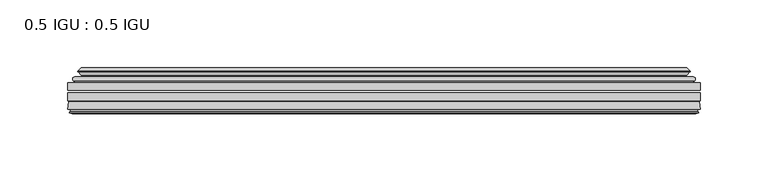
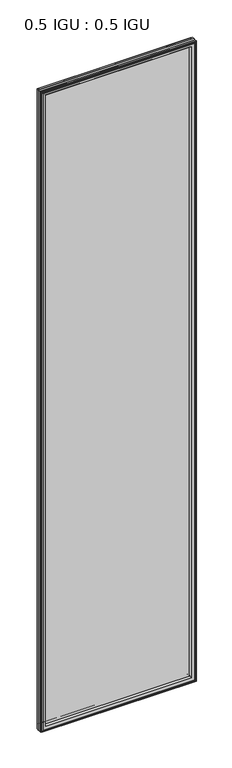
"""IFC4 building model written with IfcOpenShell, lengths in millimetres: plate geometry, 0.5 IGU : 0.5 IGU."""

from ifc_helpers import new_model, si_unit, frame, origin, place, context, project, spatial, polyline, ellipse_curve, outline, extrude, source, transform, mapped, element, save
from ifc_brep_helpers import plane_surface, cylinder_surface, revolved_surface, advanced_brep


def plate_0_5_igu_0_5_igu_41533f26(model_context):
    return source(origin(), model_context, "Body", "SolidModel", [
        extrude(outline(polyline([(233.3608, -55.82285), (233.3608, -61.48705), (-233.346625, -61.48705), (-233.346625, -55.82285), (233.3608, -55.82285)])), frame((0.0, 0.0, -14.2875), z_axis=(0.0, 0.0, 1.0), x_axis=(1.0, 0.0, 0.0)), (0.0, 0.0, 1.0), 2025.6537979),
        extrude(outline(polyline([(-233.346625, -69.05625), (-233.346625, -63.39205), (233.3608, -63.39205), (233.3608, -69.05625), (-233.346625, -69.05625)])), frame((0.0, 0.0, -14.2875), z_axis=(0.0, 0.0, 1.0), x_axis=(1.0, 0.0, 0.0)), (0.0, 0.0, 1.0), 2025.6537979),
        advanced_brep(
        [(-229.2440876, -54.3724927, 2007.2599626), (-228.1995628, -51.60645, 2006.2154378), (-228.1995628, -51.60645, -9.1404378), (-229.2440876, -54.3724927, -10.1849626), (-227.607642, -55.82285, 2005.623517), (-227.607642, -55.82285, -8.548517), (-219.059125, -45.63745, 1997.075), (-215.4764011, -55.82285, 1993.4922761), (-215.4764011, -55.82285, 3.5827239), (-219.059125, -45.63745, 0.0), (-224.2450359, -46.8185491, 2002.2609109), (-224.2450359, -46.8185491, -5.1859109), (-223.4480143, -44.8183085, 2001.4638893), (-223.4480143, -44.8183085, -4.3888893), (-225.7317361, -47.135817, 2003.7476111), (-225.7317361, -47.135817, -6.6726111), (-225.7317361, -47.8489429, 2003.7476111), (-225.7317361, -47.8489429, -6.6726111), (-223.4480143, -50.1664515, 2001.4638893), (-223.4480143, -50.1664515, -4.3888893), (-224.2373751, -48.1854367, 2002.2532501), (-224.2373751, -48.1854367, -5.1782501), (-221.7135629, -48.027045, 1999.7294379), (-221.7135629, -48.027045, -2.6544379), (-220.6877467, -48.7147544, 1998.7036217), (-220.6877467, -48.7147544, -1.6286217), (-220.8061538, -50.1092231, 1998.8220288), (-220.8061538, -50.1092231, -1.7470288), (-221.4078998, -51.60645, 1999.4237748), (-221.4078998, -51.60645, -2.3487748), (228.1995628, -51.60645, -9.1404378), (229.2440876, -54.3724927, -10.1849626), (227.607642, -55.82285, -8.548517), (215.4764011, -55.82285, 3.5827239), (219.059125, -45.63745, 0.0), (224.2450359, -46.8185491, -5.1859109), (223.4480143, -44.8183085, -4.3888893), (225.7317361, -47.135817, -6.6726111), (225.7317361, -47.8489429, -6.6726111), (223.4480143, -50.1664515, -4.3888893), (224.2373751, -48.1854367, -5.1782501), (221.7135629, -48.027045, -2.6544379), (220.6877467, -48.7147544, -1.6286217), (220.8061538, -50.1092231, -1.7470288), (221.4078998, -51.60645, -2.3487748), (228.1995628, -51.60645, 2006.2154378), (229.2440876, -54.3724927, 2007.2599626), (227.607642, -55.82285, 2005.623517), (215.4764011, -55.82285, 1993.4922761), (219.059125, -45.63745, 1997.075), (224.2450359, -46.8185491, 2002.2609109), (223.4480143, -44.8183085, 2001.4638893), (225.7317361, -47.135817, 2003.7476111), (225.7317361, -47.8489429, 2003.7476111), (223.4480143, -50.1664515, 2001.4638893), (224.2373751, -48.1854367, 2002.2532501), (221.7135629, -48.027045, 1999.7294379), (220.6877467, -48.7147544, 1998.7036217), (220.8061538, -50.1092231, 1998.8220288), (221.4078998, -51.60645, 1999.4237748)],
        [
            (0, 1, ellipse_curve(frame((-228.1911953, -53.1898501, 2006.2070703), z_axis=(-0.7071067811865475, 0.0, -0.7071067811865475), x_axis=(-0.7071067811865474, 0.0, 0.7071067811865476)), 2.2392971, 1.5834222)),
            (1, 2),
            (2, 3, ellipse_curve(frame((-228.1911953, -53.1898501, -9.1320703), z_axis=(-0.7071067811865475, 0.0, 0.7071067811865475), x_axis=(0.7071067811865474, 0.0, 0.7071067811865476)), 2.2392971, 1.5834222)),
            (3, 0),
            (4, 0),
            (3, 5),
            (5, 4),
            (6, 7, ellipse_curve(frame((-186.779371, -40.0058297, 1964.795246), z_axis=(0.7071067811865475, 0.0, 0.7071067811865475), x_axis=(0.7071067811865474, 0.0, -0.7071067811865476)), 46.3399971, 32.7673262)),
            (7, 8),
            (8, 9, ellipse_curve(frame((-186.779371, -40.0058297, 32.279754), z_axis=(0.7071067811865475, 0.0, -0.7071067811865475), x_axis=(-0.7071067811865474, 0.0, -0.7071067811865476)), 46.3399971, 32.7673262)),
            (9, 6),
            (10, 6),
            (9, 11),
            (11, 10),
            (12, 10),
            (11, 13),
            (13, 12),
            (14, 12),
            (13, 15),
            (15, 14),
            (16, 14, ellipse_curve(frame((-225.3698979, -47.49238, 2003.3857729), z_axis=(-0.7071067811865475, 0.0, -0.7071067811865475), x_axis=(-0.7071067811865474, 0.0, 0.7071067811865476)), 0.7184205, 0.508)),
            (15, 17, ellipse_curve(frame((-225.3698979, -47.49238, -6.3107729), z_axis=(-0.7071067811865475, 0.0, 0.7071067811865475), x_axis=(0.7071067811865474, 0.0, 0.7071067811865476)), 0.7184205, 0.508)),
            (17, 16),
            (18, 16),
            (17, 19),
            (19, 18),
            (20, 18),
            (19, 21),
            (21, 20),
            (22, 20),
            (21, 23),
            (23, 22),
            (24, 22, ellipse_curve(frame((-221.649925, -49.04105, 1999.6658), z_axis=(0.7071067811865475, 0.0, 0.7071067811865475), x_axis=(0.7071067811865474, 0.0, -0.7071067811865476)), 1.436841, 1.016)),
            (23, 25, ellipse_curve(frame((-221.649925, -49.04105, -2.5908), z_axis=(0.7071067811865475, 0.0, -0.7071067811865475), x_axis=(-0.7071067811865474, 0.0, -0.7071067811865476)), 1.436841, 1.016)),
            (25, 24),
            (26, 24, ellipse_curve(frame((-223.021525, -49.21885, 2001.0374), z_axis=(0.7071067811865475, 0.0, 0.7071067811865475), x_axis=(0.7071067811865474, 0.0, -0.7071067811865476)), 3.3765763, 2.3876)),
            (25, 27, ellipse_curve(frame((-223.021525, -49.21885, -3.9624), z_axis=(0.7071067811865475, 0.0, -0.7071067811865475), x_axis=(-0.7071067811865474, 0.0, -0.7071067811865476)), 3.3765763, 2.3876)),
            (27, 26),
            (28, 26),
            (27, 29),
            (29, 28),
            (2, 30),
            (30, 31, ellipse_curve(frame((228.1911953, -53.1898501, -9.1320703), z_axis=(-0.7071067811865475, 0.0, -0.7071067811865475), x_axis=(-0.7071067811865476, 0.0, 0.7071067811865474)), 2.2392971, 1.5834222)),
            (31, 3),
            (31, 32),
            (32, 5),
            (8, 33),
            (33, 34, ellipse_curve(frame((186.779371, -40.0058297, 32.279754), z_axis=(0.7071067811865475, 0.0, 0.7071067811865475), x_axis=(0.7071067811865476, 0.0, -0.7071067811865474)), 46.3399971, 32.7673262)),
            (34, 9),
            (34, 35),
            (35, 11),
            (35, 36),
            (36, 13),
            (36, 37),
            (37, 15),
            (37, 38, ellipse_curve(frame((225.3698979, -47.49238, -6.3107729), z_axis=(-0.7071067811865475, 0.0, -0.7071067811865475), x_axis=(-0.7071067811865476, 0.0, 0.7071067811865474)), 0.7184205, 0.508)),
            (38, 17),
            (38, 39),
            (39, 19),
            (39, 40),
            (40, 21),
            (40, 41),
            (41, 23),
            (41, 42, ellipse_curve(frame((221.649925, -49.04105, -2.5908), z_axis=(0.7071067811865475, 0.0, 0.7071067811865475), x_axis=(0.7071067811865476, 0.0, -0.7071067811865474)), 1.436841, 1.016)),
            (42, 25),
            (42, 43, ellipse_curve(frame((223.021525, -49.21885, -3.9624), z_axis=(0.7071067811865475, 0.0, 0.7071067811865475), x_axis=(0.7071067811865476, 0.0, -0.7071067811865474)), 3.3765763, 2.3876)),
            (43, 27),
            (43, 44),
            (44, 29),
            (30, 45),
            (45, 46, ellipse_curve(frame((228.1911953, -53.1898501, 2006.2070703), z_axis=(0.7071067811865475, 0.0, -0.7071067811865475), x_axis=(-0.7071067811865474, 0.0, -0.7071067811865476)), 2.2392971, 1.5834222)),
            (46, 31),
            (46, 47),
            (47, 32),
            (33, 48),
            (48, 49, ellipse_curve(frame((186.779371, -40.0058297, 1964.795246), z_axis=(-0.7071067811865475, 0.0, 0.7071067811865475), x_axis=(0.7071067811865474, 0.0, 0.7071067811865476)), 46.3399971, 32.7673262)),
            (49, 34),
            (49, 50),
            (50, 35),
            (50, 51),
            (51, 36),
            (51, 52),
            (52, 37),
            (52, 53, ellipse_curve(frame((225.3698979, -47.49238, 2003.3857729), z_axis=(0.7071067811865475, 0.0, -0.7071067811865475), x_axis=(-0.7071067811865474, 0.0, -0.7071067811865476)), 0.7184205, 0.508)),
            (53, 38),
            (53, 54),
            (54, 39),
            (54, 55),
            (55, 40),
            (55, 56),
            (56, 41),
            (56, 57, ellipse_curve(frame((221.649925, -49.04105, 1999.6658), z_axis=(-0.7071067811865475, 0.0, 0.7071067811865475), x_axis=(0.7071067811865474, 0.0, 0.7071067811865476)), 1.436841, 1.016)),
            (57, 42),
            (57, 58, ellipse_curve(frame((223.021525, -49.21885, 2001.0374), z_axis=(-0.7071067811865475, 0.0, 0.7071067811865475), x_axis=(0.7071067811865474, 0.0, 0.7071067811865476)), 3.3765763, 2.3876)),
            (58, 43),
            (58, 59),
            (59, 44),
            (45, 1),
            (0, 46),
            (4, 47),
            (7, 48),
            (6, 49),
            (10, 50),
            (12, 51),
            (14, 52),
            (16, 53),
            (18, 54),
            (20, 55),
            (22, 56),
            (24, 57),
            (26, 58),
            (28, 59),
        ],
        [
            cylinder_surface(frame((-228.1911953, -53.1898501, 2028.825), z_axis=(0.0, 0.0, 1.0), x_axis=(-1.0, 0.0, 0.0)), 1.5834222),
            plane_surface(frame((-229.2440876, -54.3724927, 2007.2599626), z_axis=(-0.6632745773184306, -0.7483761320907135, 0.0), x_axis=(0.0, 0.0, -1.0))),
            revolved_surface(polyline([(-219.54669719999998, -40.0058297, -0.48757218957507575), (-219.54669719999998, -40.0058297, 1997.562572189575)]), (-186.779371, -40.0058297, 2028.825), (0.0, 0.0, -1.0)),
            plane_surface(frame((-219.059125, -45.63745, 1997.075), z_axis=(-0.22206498442787428, 0.975031867525902, 0.0), x_axis=(0.0, 0.0, -1.0))),
            plane_surface(frame((-224.2450359, -46.8185491, 2002.2609109), z_axis=(0.9289682685630282, -0.370159365683228, 0.0), x_axis=(0.0, 0.0, -1.0))),
            plane_surface(frame((-223.4480143, -44.8183085, 2001.4638893), z_axis=(-0.7122798501733507, 0.7018955869907071, 0.0), x_axis=(0.0, 0.0, -1.0))),
            cylinder_surface(frame((-225.3698979, -47.49238, 2028.825), z_axis=(0.0, 0.0, 1.0), x_axis=(-1.0, 0.0, 0.0)), 0.508),
            plane_surface(frame((-225.7317361, -47.8489429, 2003.7476111), z_axis=(-0.7122798501732925, -0.701895586990766, 0.0), x_axis=(0.0, 0.0, -1.0))),
            plane_surface(frame((-223.4480143, -50.1664515, 2001.4638893), z_axis=(0.9289682685628707, 0.3701593656836228, 0.0), x_axis=(0.0, 0.0, -1.0))),
            plane_surface(frame((-224.2373751, -48.1854367, 2002.2532501), z_axis=(0.06263570119284978, -0.9980364567169279, 0.0), x_axis=(0.0, 0.0, -1.0))),
            revolved_surface(polyline([(-222.665925, -49.04105, -3.6068000145867245), (-222.665925, -49.04105, 2000.6818000145868)]), (-221.649925, -49.04105, 2028.825), (0.0, 0.0, -1.0)),
            revolved_surface(polyline([(-225.409125, -49.21885, -6.3499999989237494), (-225.409125, -49.21885, 2003.4249999989238)]), (-223.021525, -49.21885, 2028.825), (0.0, 0.0, -1.0)),
            plane_surface(frame((-220.8061538, -50.1092231, 1998.8220288), z_axis=(-0.9278652925428184, 0.3729155385532094, 0.0), x_axis=(0.0, 0.0, -1.0))),
            cylinder_surface(frame((-250.809125, -53.1898501, -9.1320703), z_axis=(-1.0, 0.0, 0.0), x_axis=(0.0, 0.0, -1.0)), 1.5834222),
            plane_surface(frame((-229.2440876, -54.3724927, -10.1849626), z_axis=(0.0, -0.7483761320907157, -0.6632745773184283), x_axis=(1.0, 0.0, 0.0))),
            revolved_surface(polyline([(219.5466971895749, -40.0058297, -0.48757220000000245), (-219.54669718957493, -40.0058297, -0.48757220000000245)]), (-250.809125, -40.0058297, 32.279754), (1.0, 0.0, 0.0)),
            plane_surface(frame((-219.059125, -45.63745, 0.0), z_axis=(0.0, 0.9750318675259013, -0.22206498442787745), x_axis=(1.0, 0.0, 0.0))),
            plane_surface(frame((-224.2450359, -46.8185491, -5.1859109), z_axis=(0.0, -0.370159365683225, 0.9289682685630294), x_axis=(1.0, 0.0, 0.0))),
            plane_surface(frame((-223.4480143, -44.8183085, -4.3888893), z_axis=(0.0, 0.7018955869907048, -0.7122798501733529), x_axis=(1.0, 0.0, 0.0))),
            cylinder_surface(frame((-250.809125, -47.49238, -6.3107729), z_axis=(-1.0, 0.0, 0.0), x_axis=(0.0, 0.0, -1.0)), 0.508),
            plane_surface(frame((-225.7317361, -47.8489429, -6.6726111), z_axis=(0.0, -0.7018955869907684, -0.7122798501732903), x_axis=(1.0, 0.0, 0.0))),
            plane_surface(frame((-223.4480143, -50.1664515, -4.3888893), z_axis=(0.0, 0.37015936568362584, 0.9289682685628696), x_axis=(1.0, 0.0, 0.0))),
            plane_surface(frame((-224.2373751, -48.1854367, -5.1782501), z_axis=(0.0, -0.9980364567169276, 0.06263570119285301), x_axis=(1.0, 0.0, 0.0))),
            revolved_surface(polyline([(222.66592501458683, -49.04105, -3.6068000000000002), (-222.66592501458686, -49.04105, -3.6068000000000002)]), (-250.809125, -49.04105, -2.5908), (1.0, 0.0, 0.0)),
            revolved_surface(polyline([(225.4091249989238, -49.21885, -6.35), (-225.40912499892377, -49.21885, -6.35)]), (-250.809125, -49.21885, -3.9624), (1.0, 0.0, 0.0)),
            plane_surface(frame((-220.8061538, -50.1092231, -1.7470288), z_axis=(0.0, 0.3729155385532064, -0.9278652925428196), x_axis=(1.0, 0.0, 0.0))),
            cylinder_surface(frame((228.1911953, -53.1898501, -31.75), z_axis=(0.0, 0.0, -1.0), x_axis=(1.0, 0.0, 0.0)), 1.5834222),
            plane_surface(frame((229.2440876, -54.3724927, -10.1849626), z_axis=(0.6632745773184259, -0.7483761320907178, 0.0), x_axis=(0.0, 0.0, 1.0))),
            revolved_surface(polyline([(219.54669719999998, -40.0058297, 1997.562572189575), (219.54669719999998, -40.0058297, -0.48757218957494075)]), (186.779371, -40.0058297, -31.75), (0.0, 0.0, 1.0)),
            plane_surface(frame((219.059125, -45.63745, 0.0), z_axis=(0.22206498442788059, 0.9750318675259005, 0.0), x_axis=(0.0, 0.0, 1.0))),
            plane_surface(frame((224.2450359, -46.8185491, -5.1859109), z_axis=(-0.9289682685630306, -0.370159365683222, 0.0), x_axis=(0.0, 0.0, 1.0))),
            plane_surface(frame((223.4480143, -44.8183085, -4.3888893), z_axis=(0.7122798501733552, 0.7018955869907024, 0.0), x_axis=(0.0, 0.0, 1.0))),
            cylinder_surface(frame((225.3698979, -47.49238, -31.75), z_axis=(0.0, 0.0, -1.0), x_axis=(1.0, 0.0, 0.0)), 0.508),
            plane_surface(frame((225.7317361, -47.8489429, -6.6726111), z_axis=(0.712279850173288, -0.7018955869907706, 0.0), x_axis=(0.0, 0.0, 1.0))),
            plane_surface(frame((223.4480143, -50.1664515, -4.3888893), z_axis=(-0.9289682685628684, 0.37015936568362884, 0.0), x_axis=(0.0, 0.0, 1.0))),
            plane_surface(frame((224.2373751, -48.1854367, -5.1782501), z_axis=(-0.06263570119285625, -0.9980364567169274, 0.0), x_axis=(0.0, 0.0, 1.0))),
            revolved_surface(polyline([(222.665925, -49.04105, 2000.6818000145868), (222.665925, -49.04105, -3.606800014586863)]), (221.649925, -49.04105, -31.75), (0.0, 0.0, 1.0)),
            revolved_surface(polyline([(225.409125, -49.21885, 2003.4249999989238), (225.409125, -49.21885, -6.349999998923781)]), (223.021525, -49.21885, -31.75), (0.0, 0.0, 1.0)),
            plane_surface(frame((220.8061538, -50.1092231, -1.7470288), z_axis=(0.9278652925428208, 0.3729155385532034, 0.0), x_axis=(0.0, 0.0, 1.0))),
            cylinder_surface(frame((250.809125, -53.1898501, 2006.2070703), z_axis=(1.0, 0.0, 0.0), x_axis=(0.0, 0.0, 1.0)), 1.5834222),
            plane_surface(frame((229.2440876, -54.3724927, 2007.2599626), z_axis=(0.0, -0.7483761320907157, 0.6632745773184283), x_axis=(-1.0, 0.0, 0.0))),
            plane_surface(frame((227.607642, -55.82285, 2005.623517), z_axis=(0.0, -1.0, 0.0), x_axis=(-1.0, 0.0, 0.0))),
            revolved_surface(polyline([(-219.5466971895749, -40.0058297, 1997.5625722), (219.54669718957493, -40.0058297, 1997.5625722)]), (250.809125, -40.0058297, 1964.795246), (-1.0, 0.0, 0.0)),
            plane_surface(frame((219.059125, -45.63745, 1997.075), z_axis=(0.0, 0.9750318675259012, 0.22206498442787742), x_axis=(-1.0, 0.0, 0.0))),
            plane_surface(frame((224.2450359, -46.8185491, 2002.2609109), z_axis=(0.0, -0.370159365683225, -0.9289682685630294), x_axis=(-1.0, 0.0, 0.0))),
            plane_surface(frame((223.4480143, -44.8183085, 2001.4638893), z_axis=(0.0, 0.7018955869907048, 0.7122798501733529), x_axis=(-1.0, 0.0, 0.0))),
            cylinder_surface(frame((250.809125, -47.49238, 2003.3857729), z_axis=(1.0, 0.0, 0.0), x_axis=(0.0, 0.0, 1.0)), 0.508),
            plane_surface(frame((225.7317361, -47.8489429, 2003.7476111), z_axis=(0.0, -0.7018955869907684, 0.7122798501732903), x_axis=(-1.0, 0.0, 0.0))),
            plane_surface(frame((223.4480143, -50.1664515, 2001.4638893), z_axis=(0.0, 0.37015936568362584, -0.9289682685628696), x_axis=(-1.0, 0.0, 0.0))),
            plane_surface(frame((224.2373751, -48.1854367, 2002.2532501), z_axis=(0.0, -0.9980364567169276, -0.06263570119285301), x_axis=(-1.0, 0.0, 0.0))),
            revolved_surface(polyline([(-222.66592501458683, -49.04105, 2000.6818), (222.66592501458686, -49.04105, 2000.6818)]), (250.809125, -49.04105, 1999.6658), (-1.0, 0.0, 0.0)),
            revolved_surface(polyline([(-225.4091249989238, -49.21885, 2003.425), (225.40912499892377, -49.21885, 2003.425)]), (250.809125, -49.21885, 2001.0374), (-1.0, 0.0, 0.0)),
            plane_surface(frame((220.8061538, -50.1092231, 1998.8220288), z_axis=(0.0, 0.3729155385532064, 0.9278652925428196), x_axis=(-1.0, 0.0, 0.0))),
            plane_surface(frame((221.4078998, -51.60645, 1999.4237748), z_axis=(0.0, 1.0, 0.0), x_axis=(-1.0, 0.0, 0.0))),
        ],
        [
            (0, [[1, 2, 3, 4]]),
            (1, [[5, -4, 6, 7]]),
            (2, [[8, 9, 10, 11]]),
            (3, [[12, -11, 13, 14]]),
            (4, [[15, -14, 16, 17]]),
            (5, [[18, -17, 19, 20]]),
            (6, [[21, -20, 22, 23]]),
            (7, [[24, -23, 25, 26]]),
            (8, [[27, -26, 28, 29]]),
            (9, [[30, -29, 31, 32]]),
            (10, [[33, -32, 34, 35]]),
            (11, [[36, -35, 37, 38]]),
            (12, [[39, -38, 40, 41]]),
            (13, [[-3, 42, 43, 44]]),
            (14, [[-6, -44, 45, 46]]),
            (15, [[-10, 47, 48, 49]]),
            (16, [[-13, -49, 50, 51]]),
            (17, [[-16, -51, 52, 53]]),
            (18, [[-19, -53, 54, 55]]),
            (19, [[-22, -55, 56, 57]]),
            (20, [[-25, -57, 58, 59]]),
            (21, [[-28, -59, 60, 61]]),
            (22, [[-31, -61, 62, 63]]),
            (23, [[-34, -63, 64, 65]]),
            (24, [[-37, -65, 66, 67]]),
            (25, [[-40, -67, 68, 69]]),
            (26, [[-43, 70, 71, 72]]),
            (27, [[-45, -72, 73, 74]]),
            (28, [[-48, 75, 76, 77]]),
            (29, [[-50, -77, 78, 79]]),
            (30, [[-52, -79, 80, 81]]),
            (31, [[-54, -81, 82, 83]]),
            (32, [[-56, -83, 84, 85]]),
            (33, [[-58, -85, 86, 87]]),
            (34, [[-60, -87, 88, 89]]),
            (35, [[-62, -89, 90, 91]]),
            (36, [[-64, -91, 92, 93]]),
            (37, [[-66, -93, 94, 95]]),
            (38, [[-68, -95, 96, 97]]),
            (39, [[-71, 98, -1, 99]]),
            (40, [[-73, -99, -5, 100]]),
            (41, [[-46, -74, -100, -7], [101, -75, -47, -9]]),
            (42, [[-76, -101, -8, 102]]),
            (43, [[-78, -102, -12, 103]]),
            (44, [[-80, -103, -15, 104]]),
            (45, [[-82, -104, -18, 105]]),
            (46, [[-84, -105, -21, 106]]),
            (47, [[-86, -106, -24, 107]]),
            (48, [[-88, -107, -27, 108]]),
            (49, [[-90, -108, -30, 109]]),
            (50, [[-92, -109, -33, 110]]),
            (51, [[-94, -110, -36, 111]]),
            (52, [[-96, -111, -39, 112]]),
            (53, [[-98, -70, -42, -2], [-69, -97, -112, -41]]),
        ],
    ),
        advanced_brep(
        [(-233.359325, -75.40625, 2011.3752), (-232.6645412, -69.7476901, 2010.6804162), (-232.6645412, -69.7476901, -13.6054162), (-233.359325, -75.40625, -14.3002), (-230.971725, -77.3973143, 2008.9876), (-231.428925, -75.40625, 2009.4448), (-231.428925, -75.40625, -12.3698), (-230.971725, -77.3973143, -11.9126), (-231.9730869, -77.1290001, 2009.9889619), (-231.9730869, -77.1290001, -12.9139619), (-232.216325, -78.0367772, 2010.2322), (-232.216325, -78.0367772, -13.1572), (-230.184325, -78.58125, 2008.2002), (-230.184325, -78.58125, -11.1252), (-228.152325, -78.0367772, 2006.1682), (-228.152325, -78.0367772, -9.0932), (-228.3955631, -77.1290001, 2006.4114381), (-228.3955631, -77.1290001, -9.3364381), (-229.396925, -77.3973143, 2007.4128), (-229.396925, -77.3973143, -10.3378), (-228.939725, -75.40625, 2006.9556), (-228.939725, -75.40625, -9.8806), (-215.4696619, -69.05625, 1993.4855369), (-219.059125, -75.40625, 1997.075), (-219.059125, -75.40625, 0.0), (-215.4696619, -69.05625, 3.5894631), (-231.8830104, -69.05625, 2009.8988854), (-231.8830104, -69.05625, -12.8238854), (232.6645412, -69.7476901, -13.6054162), (233.359325, -75.40625, -14.3002), (231.428925, -75.40625, -12.3698), (230.971725, -77.3973143, -11.9126), (231.9730869, -77.1290001, -12.9139619), (232.216325, -78.0367772, -13.1572), (230.184325, -78.58125, -11.1252), (228.152325, -78.0367772, -9.0932), (228.3955631, -77.1290001, -9.3364381), (229.396925, -77.3973143, -10.3378), (228.939725, -75.40625, -9.8806), (219.059125, -75.40625, 0.0), (215.4696619, -69.05625, 3.5894631), (231.8830104, -69.05625, -12.8238854), (232.6645412, -69.7476901, 2010.6804162), (233.359325, -75.40625, 2011.3752), (231.428925, -75.40625, 2009.4448), (230.971725, -77.3973143, 2008.9876), (231.9730869, -77.1290001, 2009.9889619), (232.216325, -78.0367772, 2010.2322), (230.184325, -78.58125, 2008.2002), (228.152325, -78.0367772, 2006.1682), (228.3955631, -77.1290001, 2006.4114381), (229.396925, -77.3973143, 2007.4128), (228.939725, -75.40625, 2006.9556), (219.059125, -75.40625, 1997.075), (215.4696619, -69.05625, 1993.4855369), (231.8830104, -69.05625, 2009.8988854)],
        [
            (0, 1),
            (1, 2),
            (2, 3),
            (3, 0),
            (4, 5),
            (5, 6),
            (6, 7),
            (7, 4),
            (8, 4),
            (7, 9),
            (9, 8),
            (10, 8),
            (9, 11),
            (11, 10),
            (12, 10),
            (11, 13),
            (13, 12),
            (14, 12),
            (13, 15),
            (15, 14),
            (16, 14),
            (15, 17),
            (17, 16),
            (18, 16),
            (17, 19),
            (19, 18),
            (20, 18),
            (19, 21),
            (21, 20),
            (22, 23, ellipse_curve(frame((-210.5828364, -76.0081323, 1988.5987114), z_axis=(0.7071067811865475, 0.0, 0.7071067811865475), x_axis=(0.7071067811865474, 0.0, -0.7071067811865476)), 12.0174649, 8.4976309)),
            (23, 24),
            (24, 25, ellipse_curve(frame((-210.5828364, -76.0081323, 8.4762886), z_axis=(0.7071067811865475, 0.0, -0.7071067811865475), x_axis=(-0.7071067811865474, 0.0, -0.7071067811865476)), 12.0174649, 8.4976309)),
            (25, 22),
            (1, 26, ellipse_curve(frame((-231.8830104, -69.84365, 2009.8988854), z_axis=(-0.7071067811865475, 0.0, -0.7071067811865475), x_axis=(-0.7071067811865474, 0.0, 0.7071067811865476)), 1.1135518, 0.7874)),
            (26, 27),
            (27, 2, ellipse_curve(frame((-231.8830104, -69.84365, -12.8238854), z_axis=(-0.7071067811865475, 0.0, 0.7071067811865475), x_axis=(0.7071067811865474, 0.0, 0.7071067811865476)), 1.1135518, 0.7874)),
            (2, 28),
            (28, 29),
            (29, 3),
            (6, 30),
            (30, 31),
            (31, 7),
            (31, 32),
            (32, 9),
            (32, 33),
            (33, 11),
            (33, 34),
            (34, 13),
            (34, 35),
            (35, 15),
            (35, 36),
            (36, 17),
            (36, 37),
            (37, 19),
            (37, 38),
            (38, 21),
            (24, 39),
            (39, 40, ellipse_curve(frame((210.5828364, -76.0081323, 8.4762886), z_axis=(0.7071067811865475, 0.0, 0.7071067811865475), x_axis=(0.7071067811865476, 0.0, -0.7071067811865474)), 12.0174649, 8.4976309)),
            (40, 25),
            (27, 41),
            (41, 28, ellipse_curve(frame((231.8830104, -69.84365, -12.8238854), z_axis=(-0.7071067811865475, 0.0, -0.7071067811865475), x_axis=(-0.7071067811865476, 0.0, 0.7071067811865474)), 1.1135518, 0.7874)),
            (28, 42),
            (42, 43),
            (43, 29),
            (30, 44),
            (44, 45),
            (45, 31),
            (45, 46),
            (46, 32),
            (46, 47),
            (47, 33),
            (47, 48),
            (48, 34),
            (48, 49),
            (49, 35),
            (49, 50),
            (50, 36),
            (50, 51),
            (51, 37),
            (51, 52),
            (52, 38),
            (39, 53),
            (53, 54, ellipse_curve(frame((210.5828364, -76.0081323, 1988.5987114), z_axis=(-0.7071067811865475, 0.0, 0.7071067811865475), x_axis=(0.7071067811865474, 0.0, 0.7071067811865476)), 12.0174649, 8.4976309)),
            (54, 40),
            (41, 55),
            (55, 42, ellipse_curve(frame((231.8830104, -69.84365, 2009.8988854), z_axis=(0.7071067811865475, 0.0, -0.7071067811865475), x_axis=(-0.7071067811865474, 0.0, -0.7071067811865476)), 1.1135518, 0.7874)),
            (42, 1),
            (0, 43),
            (5, 44),
            (4, 45),
            (8, 46),
            (10, 47),
            (12, 48),
            (14, 49),
            (16, 50),
            (18, 51),
            (20, 52),
            (23, 53),
            (22, 54),
            (26, 55),
        ],
        [
            plane_surface(frame((-232.6645412, -69.7476901, 2010.6804162), z_axis=(-0.992546151641325, 0.12186934340512406, 0.0), x_axis=(0.0, 0.0, -1.0))),
            plane_surface(frame((-231.428925, -75.40625, 2009.4448), z_axis=(-0.9746347637895902, -0.22380142361658395, 0.0), x_axis=(0.0, 0.0, -1.0))),
            plane_surface(frame((-230.971725, -77.3973143, 2008.9876), z_axis=(0.2588190451026526, 0.965925826289033, 0.0), x_axis=(0.0, 0.0, -1.0))),
            plane_surface(frame((-231.9730869, -77.1290001, 2009.9889619), z_axis=(-0.9659258262890449, 0.2588190451026083, 0.0), x_axis=(0.0, 0.0, -1.0))),
            plane_surface(frame((-232.216325, -78.0367772, 2010.2322), z_axis=(-0.2588190451024403, -0.96592582628909, 0.0), x_axis=(0.0, 0.0, -1.0))),
            plane_surface(frame((-230.184325, -78.58125, 2008.2002), z_axis=(0.2588190451025434, -0.9659258262890623, 0.0), x_axis=(0.0, 0.0, -1.0))),
            plane_surface(frame((-228.152325, -78.0367772, 2006.1682), z_axis=(0.9659258262891713, 0.25881904510213655, 0.0), x_axis=(0.0, 0.0, -1.0))),
            plane_surface(frame((-228.3955631, -77.1290001, 2006.4114381), z_axis=(-0.25881904510234177, 0.9659258262891163, 0.0), x_axis=(0.0, 0.0, -1.0))),
            plane_surface(frame((-229.396925, -77.3973143, 2007.4128), z_axis=(0.9746347637895849, -0.22380142361660746, 0.0), x_axis=(0.0, 0.0, -1.0))),
            revolved_surface(polyline([(-219.08046729999998, -76.0081323, -0.021342323461112755), (-219.08046729999998, -76.0081323, 1997.0963423234612)]), (-210.5828364, -76.0081323, 2028.825), (0.0, 0.0, -1.0)),
            cylinder_surface(frame((-231.8830104, -69.84365, 2028.825), z_axis=(0.0, 0.0, 1.0), x_axis=(-1.0, 0.0, 0.0)), 0.7874),
            plane_surface(frame((-232.6645412, -69.7476901, -13.6054162), z_axis=(0.0, 0.12186934340512084, -0.9925461516413254), x_axis=(1.0, 0.0, 0.0))),
            plane_surface(frame((-231.428925, -75.40625, -12.3698), z_axis=(0.0, -0.22380142361658714, -0.9746347637895896), x_axis=(1.0, 0.0, 0.0))),
            plane_surface(frame((-230.971725, -77.3973143, -11.9126), z_axis=(0.0, 0.9659258262890339, 0.25881904510264947), x_axis=(1.0, 0.0, 0.0))),
            plane_surface(frame((-231.9730869, -77.1290001, -12.9139619), z_axis=(0.0, 0.25881904510260517, -0.9659258262890458), x_axis=(1.0, 0.0, 0.0))),
            plane_surface(frame((-232.216325, -78.0367772, -13.1572), z_axis=(0.0, -0.9659258262890907, -0.25881904510243714), x_axis=(1.0, 0.0, 0.0))),
            plane_surface(frame((-230.184325, -78.58125, -11.1252), z_axis=(0.0, -0.9659258262890614, 0.2588190451025465), x_axis=(1.0, 0.0, 0.0))),
            plane_surface(frame((-228.152325, -78.0367772, -9.0932), z_axis=(0.0, 0.25881904510213966, 0.9659258262891705), x_axis=(1.0, 0.0, 0.0))),
            plane_surface(frame((-228.3955631, -77.1290001, -9.3364381), z_axis=(0.0, 0.9659258262891154, -0.2588190451023449), x_axis=(1.0, 0.0, 0.0))),
            plane_surface(frame((-229.396925, -77.3973143, -10.3378), z_axis=(0.0, -0.2238014236166043, 0.9746347637895857), x_axis=(1.0, 0.0, 0.0))),
            revolved_surface(polyline([(219.08046732346133, -76.0081323, -0.02134230000000059), (-219.0804673234613, -76.0081323, -0.02134230000000059)]), (-250.809125, -76.0081323, 8.4762886), (1.0, 0.0, 0.0)),
            cylinder_surface(frame((-250.809125, -69.84365, -12.8238854), z_axis=(-1.0, 0.0, 0.0), x_axis=(0.0, 0.0, -1.0)), 0.7874),
            plane_surface(frame((232.6645412, -69.7476901, -13.6054162), z_axis=(0.9925461516413259, 0.12186934340511762, 0.0), x_axis=(0.0, 0.0, 1.0))),
            plane_surface(frame((231.428925, -75.40625, -12.3698), z_axis=(0.9746347637895888, -0.2238014236165903, 0.0), x_axis=(0.0, 0.0, 1.0))),
            plane_surface(frame((230.971725, -77.3973143, -11.9126), z_axis=(-0.25881904510264636, 0.9659258262890348, 0.0), x_axis=(0.0, 0.0, 1.0))),
            plane_surface(frame((231.9730869, -77.1290001, -12.9139619), z_axis=(0.9659258262890467, 0.25881904510260206, 0.0), x_axis=(0.0, 0.0, 1.0))),
            plane_surface(frame((232.216325, -78.0367772, -13.1572), z_axis=(0.25881904510243403, -0.9659258262890916, 0.0), x_axis=(0.0, 0.0, 1.0))),
            plane_surface(frame((230.184325, -78.58125, -11.1252), z_axis=(-0.25881904510254966, -0.9659258262890607, 0.0), x_axis=(0.0, 0.0, 1.0))),
            plane_surface(frame((228.152325, -78.0367772, -9.0932), z_axis=(-0.9659258262891696, 0.25881904510214276, 0.0), x_axis=(0.0, 0.0, 1.0))),
            plane_surface(frame((228.3955631, -77.1290001, -9.3364381), z_axis=(0.25881904510234804, 0.9659258262891146, 0.0), x_axis=(0.0, 0.0, 1.0))),
            plane_surface(frame((229.396925, -77.3973143, -10.3378), z_axis=(-0.9746347637895865, -0.22380142361660113, 0.0), x_axis=(0.0, 0.0, 1.0))),
            revolved_surface(polyline([(219.08046729999998, -76.0081323, 1997.0963423234612), (219.08046729999998, -76.0081323, -0.021342323461311707)]), (210.5828364, -76.0081323, -31.75), (0.0, 0.0, 1.0)),
            cylinder_surface(frame((231.8830104, -69.84365, -31.75), z_axis=(0.0, 0.0, -1.0), x_axis=(1.0, 0.0, 0.0)), 0.7874),
            plane_surface(frame((232.6645412, -69.7476901, 2010.6804162), z_axis=(0.0, 0.12186934340512084, 0.9925461516413254), x_axis=(-1.0, 0.0, 0.0))),
            plane_surface(frame((233.359325, -75.40625, 2011.3752), z_axis=(0.0, -1.0, 0.0), x_axis=(-1.0, 0.0, 0.0))),
            plane_surface(frame((231.428925, -75.40625, 2009.4448), z_axis=(0.0, -0.22380142361658714, 0.9746347637895896), x_axis=(-1.0, 0.0, 0.0))),
            plane_surface(frame((230.971725, -77.3973143, 2008.9876), z_axis=(0.0, 0.9659258262890339, -0.25881904510264947), x_axis=(-1.0, 0.0, 0.0))),
            plane_surface(frame((231.9730869, -77.1290001, 2009.9889619), z_axis=(0.0, 0.25881904510260517, 0.9659258262890458), x_axis=(-1.0, 0.0, 0.0))),
            plane_surface(frame((232.216325, -78.0367772, 2010.2322), z_axis=(0.0, -0.9659258262890907, 0.25881904510243714), x_axis=(-1.0, 0.0, 0.0))),
            plane_surface(frame((230.184325, -78.58125, 2008.2002), z_axis=(0.0, -0.9659258262890614, -0.25881904510254655), x_axis=(-1.0, 0.0, 0.0))),
            plane_surface(frame((228.152325, -78.0367772, 2006.1682), z_axis=(0.0, 0.25881904510213966, -0.9659258262891705), x_axis=(-1.0, 0.0, 0.0))),
            plane_surface(frame((228.3955631, -77.1290001, 2006.4114381), z_axis=(0.0, 0.9659258262891155, 0.25881904510234494), x_axis=(-1.0, 0.0, 0.0))),
            plane_surface(frame((229.396925, -77.3973143, 2007.4128), z_axis=(0.0, -0.2238014236166043, -0.9746347637895857), x_axis=(-1.0, 0.0, 0.0))),
            plane_surface(frame((228.939725, -75.40625, 2006.9556), z_axis=(0.0, -1.0, 0.0), x_axis=(-1.0, 0.0, 0.0))),
            revolved_surface(polyline([(-219.08046732346133, -76.0081323, 1997.0963423), (219.0804673234613, -76.0081323, 1997.0963423)]), (250.809125, -76.0081323, 1988.5987114), (-1.0, 0.0, 0.0)),
            plane_surface(frame((215.4696619, -69.05625, 1993.4855369), z_axis=(0.0, 1.0, 0.0), x_axis=(-1.0, 0.0, 0.0))),
            cylinder_surface(frame((250.809125, -69.84365, 2009.8988854), z_axis=(1.0, 0.0, 0.0), x_axis=(0.0, 0.0, 1.0)), 0.7874),
        ],
        [
            (0, [[1, 2, 3, 4]]),
            (1, [[5, 6, 7, 8]]),
            (2, [[9, -8, 10, 11]]),
            (3, [[12, -11, 13, 14]]),
            (4, [[15, -14, 16, 17]]),
            (5, [[18, -17, 19, 20]]),
            (6, [[21, -20, 22, 23]]),
            (7, [[24, -23, 25, 26]]),
            (8, [[27, -26, 28, 29]]),
            (9, [[30, 31, 32, 33]]),
            (10, [[34, 35, 36, -2]]),
            (11, [[-3, 37, 38, 39]]),
            (12, [[-7, 40, 41, 42]]),
            (13, [[-10, -42, 43, 44]]),
            (14, [[-13, -44, 45, 46]]),
            (15, [[-16, -46, 47, 48]]),
            (16, [[-19, -48, 49, 50]]),
            (17, [[-22, -50, 51, 52]]),
            (18, [[-25, -52, 53, 54]]),
            (19, [[-28, -54, 55, 56]]),
            (20, [[-32, 57, 58, 59]]),
            (21, [[-36, 60, 61, -37]]),
            (22, [[-38, 62, 63, 64]]),
            (23, [[-41, 65, 66, 67]]),
            (24, [[-43, -67, 68, 69]]),
            (25, [[-45, -69, 70, 71]]),
            (26, [[-47, -71, 72, 73]]),
            (27, [[-49, -73, 74, 75]]),
            (28, [[-51, -75, 76, 77]]),
            (29, [[-53, -77, 78, 79]]),
            (30, [[-55, -79, 80, 81]]),
            (31, [[-58, 82, 83, 84]]),
            (32, [[-61, 85, 86, -62]]),
            (33, [[-63, 87, -1, 88]]),
            (34, [[-39, -64, -88, -4], [89, -65, -40, -6]]),
            (35, [[-66, -89, -5, 90]]),
            (36, [[-68, -90, -9, 91]]),
            (37, [[-70, -91, -12, 92]]),
            (38, [[-72, -92, -15, 93]]),
            (39, [[-74, -93, -18, 94]]),
            (40, [[-76, -94, -21, 95]]),
            (41, [[-78, -95, -24, 96]]),
            (42, [[-80, -96, -27, 97]]),
            (43, [[-56, -81, -97, -29], [98, -82, -57, -31]]),
            (44, [[-83, -98, -30, 99]]),
            (45, [[100, -85, -60, -35], [-59, -84, -99, -33]]),
            (46, [[-86, -100, -34, -87]]),
        ],
    ),
    ])


if __name__ == "__main__":
    model = new_model("IFC4")
    model_context = context("Model", 3, world=origin())
    ifc_project = project(units=[si_unit("LENGTHUNIT", "METRE", prefix="MILLI")], contexts=[model_context])
    site = spatial("IfcSite", under=ifc_project)
    building = spatial("IfcBuilding", under=site)
    placement = place(None, origin())
    plate_0_5_igu_0_5_igu_shape = plate_0_5_igu_0_5_igu_41533f26(model_context)
    element("IfcPlate", 1, ObjectType="0.5 IGU : 0.5 IGU", at=placement, inside=building, context=model_context, shape_type="MappedRepresentation", body=[
        mapped(plate_0_5_igu_0_5_igu_shape, transform((0.0, 0.0, 0.0), x_axis=(1.0, 0.0, 0.0), y_axis=(0.0, 1.0, 0.0), z_axis=(0.0, 0.0, 1.0))),
    ])
    save(model, "model.ifc")
